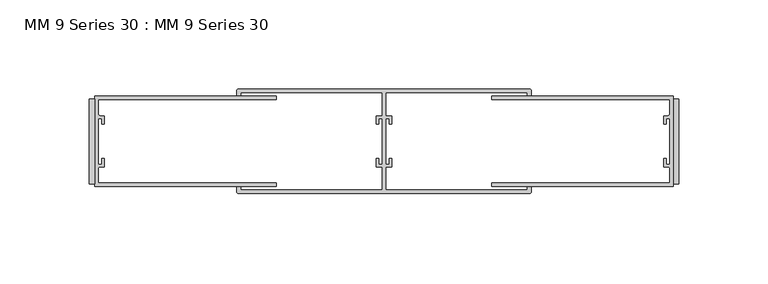
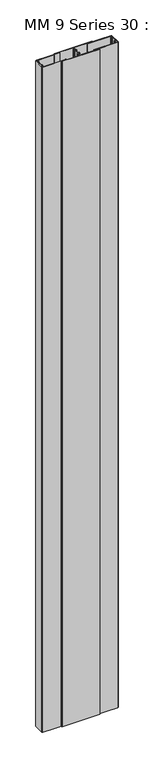
"""IFC4 building model written with IfcOpenShell, lengths in millimetres: proxy geometry, MM 9 Series 30 : MM 9 Series 30."""

from ifc_helpers import new_model, si_unit, point, frame_2d, origin, origin_with_axes, place, context, project, spatial, polyline, circle_curve, trimmed, segment, composite_curve, outline, extrude, source, transform, mapped, element, save


def mm_9_series_30_mm_9_series_30_168b5a45(model_context):
    return source(origin(), model_context, "Body", "SweptSolid", [
        extrude(outline(composite_curve([segment(polyline([(-3.175, -25.4), (-104.775, -25.4), (-104.775, -23.4188), (-5.1562, -23.4188), (-5.1562, -15.0674773)]), True, "CONTINUOUS"), segment(trimmed(circle_curve(frame_2d((-5.9182, -15.0674773)), 0.762), [point((-5.1562, -15.0674773))], [point((-5.9182, -14.3054773))], True, "CARTESIAN"), True, "CONTINUOUS"), segment(polyline([(-5.9182, -14.3054773), (-8.3312, -14.3054773), (-8.3312, -9.7334773), (-6.9342, -9.7334773), (-6.9342, -12.9084773), (-5.1562, -12.9084773), (-5.1562, 12.8979227), (-6.9342, 12.8979227), (-6.9342, 9.7229227), (-8.3312, 9.7229227), (-8.3312, 14.2949227), (-5.9182, 14.2949227)]), True, "CONTINUOUS"), segment(trimmed(circle_curve(frame_2d((-5.9182, 15.0569227)), 0.762), [point((-5.9182, 14.2949227))], [point((-5.1562, 15.0569227))], True, "CARTESIAN"), True, "CONTINUOUS"), segment(polyline([(-5.1562, 15.0569227), (-5.1562, 23.4188), (-104.775, 23.4188), (-104.775, 25.4), (-3.175, 25.4), (-3.175, -25.4)]), True, "CONTINUOUS")], self_intersect=False)), origin_with_axes(), (0.0, 0.0, 1.0), 3048.0),
        extrude(outline(polyline([(-3.175, 23.8125), (0.0, 23.8125), (0.0, -23.8125), (-3.175, -23.8125), (-3.175, 23.8125)])), origin_with_axes(), (0.0, 0.0, 1.0), 3048.0),
        extrude(outline(polyline([(-330.2, 23.8125), (-327.025, 23.8125), (-327.025, -23.8125), (-330.2, -23.8125), (-330.2, 23.8125)])), origin_with_axes(), (0.0, 0.0, 1.0), 3048.0),
        extrude(outline(composite_curve([segment(polyline([(-84.8480234, 27.305), (-164.1094, 27.305), (-164.1094, 14.3053805), (-160.8972939, 14.3053805), (-160.8972939, 9.7210041), (-162.2863564, 9.7210041), (-162.2863564, 12.9032004), (-164.1094, 12.9032004), (-164.1094, -12.9032004), (-162.2863564, -12.9032004), (-162.2863564, -9.7210041), (-160.8972939, -9.7210041), (-160.8972939, -14.3053805), (-164.1094, -14.3053805), (-164.1094, -27.305), (-84.8480234, -27.305), (-84.8480234, -25.527), (-82.551524, -25.527), (-82.551524, -28.095575)]), True, "CONTINUOUS"), segment(trimmed(circle_curve(frame_2d((-83.742149, -28.095575)), 1.190625), [point((-82.551524, -28.095575))], [point((-83.742149, -29.2862))], False, "CARTESIAN"), True, "CONTINUOUS"), segment(polyline([(-83.742149, -29.2862), (-246.457851, -29.2862)]), True, "CONTINUOUS"), segment(trimmed(circle_curve(frame_2d((-246.457851, -28.095575)), 1.190625), [point((-246.457851, -29.2862))], [point((-247.648476, -28.095575))], False, "CARTESIAN"), True, "CONTINUOUS"), segment(polyline([(-247.648476, -28.095575), (-247.648476, -25.527), (-245.3519766, -25.527), (-245.3519766, -27.305), (-166.0906, -27.305), (-166.0906, -14.3053805), (-169.3027061, -14.3053805), (-169.3027061, -9.7210041), (-167.9136436, -9.7210041), (-167.9136436, -12.9032004), (-166.1234, -12.9032004), (-166.1234, 12.9032004), (-167.9136436, 12.9032004), (-167.9136436, 9.7210041), (-169.3027061, 9.7210041), (-169.3027061, 14.3053805), (-166.0906, 14.3053805), (-166.0906, 27.305), (-245.3519766, 27.305), (-245.3519766, 25.527), (-247.648476, 25.527), (-247.648476, 28.095575)]), True, "CONTINUOUS"), segment(trimmed(circle_curve(frame_2d((-246.457851, 28.095575)), 1.190625), [point((-247.648476, 28.095575))], [point((-246.457851, 29.2862))], False, "CARTESIAN"), True, "CONTINUOUS"), segment(polyline([(-246.457851, 29.2862), (-83.742149, 29.2862)]), True, "CONTINUOUS"), segment(trimmed(circle_curve(frame_2d((-83.742149, 28.095575)), 1.190625), [point((-83.742149, 29.2862))], [point((-82.551524, 28.095575))], False, "CARTESIAN"), True, "CONTINUOUS"), segment(polyline([(-82.551524, 28.095575), (-82.551524, 25.527), (-84.8480234, 25.527), (-84.8480234, 27.305)]), True, "CONTINUOUS")], self_intersect=False)), origin_with_axes(), (0.0, 0.0, 1.0), 3048.0),
        extrude(outline(composite_curve([segment(polyline([(-327.025, -25.4), (-327.025, 25.4), (-225.425, 25.4), (-225.425, 23.4188), (-325.0438, 23.4188), (-325.0438, 15.0569227)]), True, "CONTINUOUS"), segment(trimmed(circle_curve(frame_2d((-324.2818, 15.0569227)), 0.762), [point((-325.0438, 15.0569227))], [point((-324.2818, 14.2949227))], True, "CARTESIAN"), True, "CONTINUOUS"), segment(polyline([(-324.2818, 14.2949227), (-321.8688, 14.2949227), (-321.8688, 9.7229227), (-323.2658, 9.7229227), (-323.2658, 12.8979227), (-325.0438, 12.8979227), (-325.0438, -12.9084773), (-323.2658, -12.9084773), (-323.2658, -9.7334773), (-321.8688, -9.7334773), (-321.8688, -14.3054773), (-324.2818, -14.3054773)]), True, "CONTINUOUS"), segment(trimmed(circle_curve(frame_2d((-324.2818, -15.0674773)), 0.762), [point((-324.2818, -14.3054773))], [point((-325.0438, -15.0674773))], True, "CARTESIAN"), True, "CONTINUOUS"), segment(polyline([(-325.0438, -15.0674773), (-325.0438, -23.4188), (-225.425, -23.4188), (-225.425, -25.4), (-327.025, -25.4)]), True, "CONTINUOUS")], self_intersect=False)), origin_with_axes(), (0.0, 0.0, 1.0), 3048.0),
    ])


if __name__ == "__main__":
    model = new_model("IFC4")
    model_context = context("Model", 3, world=origin())
    ifc_project = project(units=[si_unit("LENGTHUNIT", "METRE", prefix="MILLI")], contexts=[model_context])
    site = spatial("IfcSite", under=ifc_project)
    building = spatial("IfcBuilding", under=site)
    placement = place(None, origin())
    mm_9_series_30_mm_9_series_30_shape = mm_9_series_30_mm_9_series_30_168b5a45(model_context)
    element("IfcBuildingElementProxy", 1, Name="MM 9 Series 30 : MM 9 Series 30", ObjectType="MM 9 Series 30 : MM 9 Series 30", at=placement, inside=building, context=model_context, shape_type="MappedRepresentation", body=[
        mapped(mm_9_series_30_mm_9_series_30_shape, transform((0.0, 0.0, 0.0), x_axis=(1.0, 0.0, 0.0), y_axis=(0.0, 1.0, 0.0), z_axis=(0.0, 0.0, 1.0))),
    ])
    save(model, "model.ifc")
